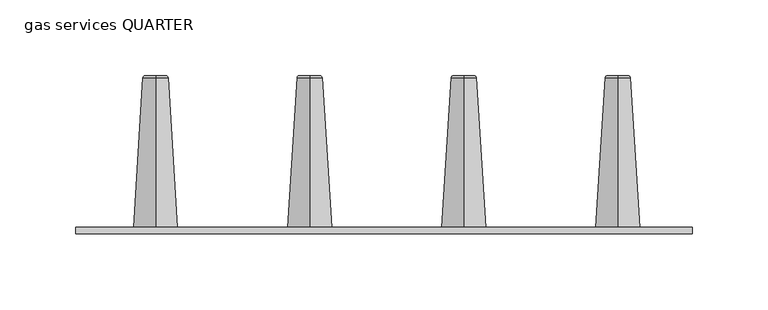
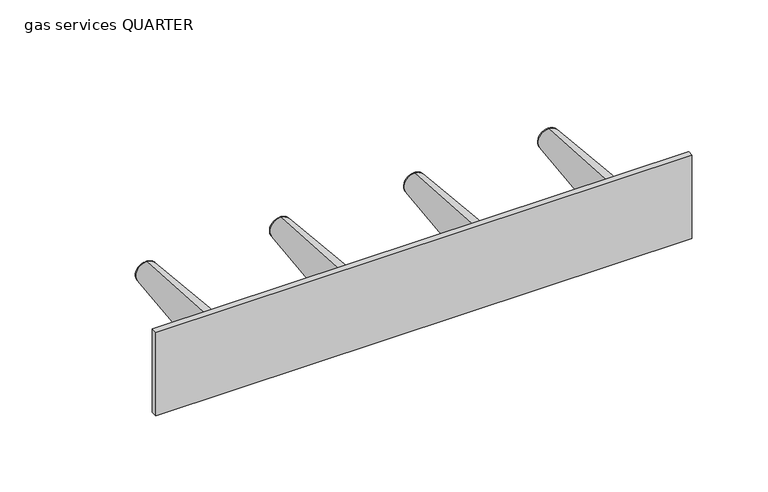
"""IFC4 building model written with IfcOpenShell, lengths in millimetres: flow terminal geometry, gas services QUARTER."""

from ifc_helpers import new_model, si_unit, point, frame, origin, place, context, project, spatial, polyline, circle_curve, ellipse_curve, trimmed, outline, extrude, source, transform, mapped, element, save
from ifc_brep_helpers import plane_surface, revolved_surface, advanced_brep


def gas_services_quarter_623f76c7(model_context):
    return source(origin(), model_context, "Body", "SolidModel", [
        advanced_brep(
        [(154.1514489, 38.4626176, 1098.693518), (154.1514489, 38.4626176, 1091.8678317), (154.1514489, 38.4626176, 1085.0421454), (154.1514489, 37.0382316, 1100.2102616), (154.1514489, 37.0382316, 1083.5254018), (154.1514489, -61.5339373, 1106.4071191), (154.1514489, -61.5339373, 1077.3285443), (154.1514489, -61.5339373, 1091.8678317)],
        [
            (0, 1),
            (1, 2),
            (2, 0, circle_curve(frame((154.1514489, 38.4626176, 1091.8678317), z_axis=(0.0, 1.0, 0.0), x_axis=(0.0, 0.0, -1.0)), 6.8256863)),
            (0, 2, circle_curve(frame((154.1514489, 38.4626176, 1091.8678317), z_axis=(0.0, 1.0, 0.0), x_axis=(0.0, 0.0, -1.0)), 6.8256863)),
            (3, 0, circle_curve(frame((154.1514489, 36.9428797, 1098.693518), z_axis=(-1.0, 0.0, 0.0), x_axis=(0.0, -1.0, 0.0)), 1.5197379)),
            (2, 4, circle_curve(frame((154.1514489, 36.9428797, 1085.0421454), z_axis=(-1.0, 0.0, 0.0), x_axis=(0.0, -1.0, 0.0)), 1.5197379)),
            (4, 3, circle_curve(frame((154.1514489, 37.0382316, 1091.8678317), z_axis=(0.0, 1.0, 0.0), x_axis=(0.0, 0.0, -1.0)), 8.3424299)),
            (3, 4, circle_curve(frame((154.1514489, 37.0382316, 1091.8678317), z_axis=(0.0, 1.0, 0.0), x_axis=(0.0, 0.0, -1.0)), 8.3424299)),
            (5, 3),
            (4, 6),
            (6, 5, circle_curve(frame((154.1514489, -61.5339373, 1091.8678317), z_axis=(0.0, 1.0, 0.0), x_axis=(0.0, 0.0, -1.0)), 14.5392874)),
            (5, 6, circle_curve(frame((154.1514489, -61.5339373, 1091.8678317), z_axis=(0.0, 1.0, 0.0), x_axis=(0.0, 0.0, -1.0)), 14.5392874)),
            (7, 5),
            (6, 7),
        ],
        [
            plane_surface(frame((154.1514489, 38.4626176, 1091.8678317), z_axis=(0.0, 1.0, 0.0), x_axis=(0.0, 0.0, -1.0))),
            revolved_surface(trimmed(ellipse_curve(frame((154.1514489, 36.9428797, 1085.0421454), z_axis=(-1.0, 0.0, 0.0), x_axis=(0.0, -1.0, 0.0)), 1.5197379, 1.5197379), [point((154.1514489, 38.4626176, 1085.0421454))], [point((154.1514489, 37.0382316, 1083.5254018))], True, "CARTESIAN"), (154.1514489, -29.920517, 1091.8678317), (0.0, -1.0, 0.0)),
            revolved_surface(polyline([(154.1514489, 37.0382316, 1083.5254018), (154.1514489, -61.5339373, 1077.3285443)]), (154.1514489, -29.920517, 1091.8678317), (0.0, -1.0, 0.0)),
            plane_surface(frame((154.1514489, -61.5339373, 1091.8678317), z_axis=(0.0, -1.0, 0.0), x_axis=(0.0, 0.0, -1.0))),
        ],
        [
            (0, [[1, 2, 3]]),
            (0, [[-2, -1, 4]]),
            (1, [[5, -3, 6, 7]]),
            (1, [[-6, -4, -5, 8]]),
            (2, [[9, -7, 10, 11]]),
            (2, [[-10, -8, -9, 12]]),
            (3, [[13, -11, 14]]),
            (3, [[-14, -12, -13]]),
        ],
    ),
        advanced_brep(
        [(52.5514489, 38.4626176, 1098.693518), (52.5514489, 38.4626176, 1091.8678317), (52.5514489, 38.4626176, 1085.0421454), (52.5514489, 37.0382316, 1100.2102616), (52.5514489, 37.0382316, 1083.5254018), (52.5514489, -61.5339373, 1106.4071191), (52.5514489, -61.5339373, 1077.3285443), (52.5514489, -61.5339373, 1091.8678317)],
        [
            (0, 1),
            (1, 2),
            (2, 0, circle_curve(frame((52.5514489, 38.4626176, 1091.8678317), z_axis=(0.0, 1.0, 0.0), x_axis=(0.0, 0.0, -1.0)), 6.8256863)),
            (0, 2, circle_curve(frame((52.5514489, 38.4626176, 1091.8678317), z_axis=(0.0, 1.0, 0.0), x_axis=(0.0, 0.0, -1.0)), 6.8256863)),
            (3, 0, circle_curve(frame((52.5514489, 36.9428797, 1098.693518), z_axis=(-1.0, 0.0, 0.0), x_axis=(0.0, -1.0, 0.0)), 1.5197379)),
            (2, 4, circle_curve(frame((52.5514489, 36.9428797, 1085.0421454), z_axis=(-1.0, 0.0, 0.0), x_axis=(0.0, -1.0, 0.0)), 1.5197379)),
            (4, 3, circle_curve(frame((52.5514489, 37.0382316, 1091.8678317), z_axis=(0.0, 1.0, 0.0), x_axis=(0.0, 0.0, -1.0)), 8.3424299)),
            (3, 4, circle_curve(frame((52.5514489, 37.0382316, 1091.8678317), z_axis=(0.0, 1.0, 0.0), x_axis=(0.0, 0.0, -1.0)), 8.3424299)),
            (5, 3),
            (4, 6),
            (6, 5, circle_curve(frame((52.5514489, -61.5339373, 1091.8678317), z_axis=(0.0, 1.0, 0.0), x_axis=(0.0, 0.0, -1.0)), 14.5392874)),
            (5, 6, circle_curve(frame((52.5514489, -61.5339373, 1091.8678317), z_axis=(0.0, 1.0, 0.0), x_axis=(0.0, 0.0, -1.0)), 14.5392874)),
            (7, 5),
            (6, 7),
        ],
        [
            plane_surface(frame((52.5514489, 38.4626176, 1091.8678317), z_axis=(0.0, 1.0, 0.0), x_axis=(0.0, 0.0, -1.0))),
            revolved_surface(trimmed(ellipse_curve(frame((52.5514489, 36.9428797, 1085.0421454), z_axis=(-1.0, 0.0, 0.0), x_axis=(0.0, -1.0, 0.0)), 1.5197379, 1.5197379), [point((52.5514489, 38.4626176, 1085.0421454))], [point((52.5514489, 37.0382316, 1083.5254018))], True, "CARTESIAN"), (52.5514489, -29.920517, 1091.8678317), (0.0, -1.0, 0.0)),
            revolved_surface(polyline([(52.5514489, 37.0382316, 1083.5254018), (52.5514489, -61.5339373, 1077.3285443)]), (52.5514489, -29.920517, 1091.8678317), (0.0, -1.0, 0.0)),
            plane_surface(frame((52.5514489, -61.5339373, 1091.8678317), z_axis=(0.0, -1.0, 0.0), x_axis=(0.0, 0.0, -1.0))),
        ],
        [
            (0, [[1, 2, 3]]),
            (0, [[-2, -1, 4]]),
            (1, [[5, -3, 6, 7]]),
            (1, [[-6, -4, -5, 8]]),
            (2, [[9, -7, 10, 11]]),
            (2, [[-10, -8, -9, 12]]),
            (3, [[13, -11, 14]]),
            (3, [[-14, -12, -13]]),
        ],
    ),
        advanced_brep(
        [(-150.6485511, 38.4626176, 1098.693518), (-150.6485511, 38.4626176, 1091.8678317), (-150.6485511, 38.4626176, 1085.0421454), (-150.6485511, 37.0382316, 1100.2102616), (-150.6485511, 37.0382316, 1083.5254018), (-150.6485511, -61.5339373, 1106.4071191), (-150.6485511, -61.5339373, 1077.3285443), (-150.6485511, -61.5339373, 1091.8678317)],
        [
            (0, 1),
            (1, 2),
            (2, 0, circle_curve(frame((-150.6485511, 38.4626176, 1091.8678317), z_axis=(0.0, 1.0, 0.0), x_axis=(0.0, 0.0, -1.0)), 6.8256863)),
            (0, 2, circle_curve(frame((-150.6485511, 38.4626176, 1091.8678317), z_axis=(0.0, 1.0, 0.0), x_axis=(0.0, 0.0, -1.0)), 6.8256863)),
            (3, 0, circle_curve(frame((-150.6485511, 36.9428797, 1098.693518), z_axis=(-1.0, 0.0, 0.0), x_axis=(0.0, -1.0, 0.0)), 1.5197379)),
            (2, 4, circle_curve(frame((-150.6485511, 36.9428797, 1085.0421454), z_axis=(-1.0, 0.0, 0.0), x_axis=(0.0, -1.0, 0.0)), 1.5197379)),
            (4, 3, circle_curve(frame((-150.6485511, 37.0382316, 1091.8678317), z_axis=(0.0, 1.0, 0.0), x_axis=(0.0, 0.0, -1.0)), 8.3424299)),
            (3, 4, circle_curve(frame((-150.6485511, 37.0382316, 1091.8678317), z_axis=(0.0, 1.0, 0.0), x_axis=(0.0, 0.0, -1.0)), 8.3424299)),
            (5, 3),
            (4, 6),
            (6, 5, circle_curve(frame((-150.6485511, -61.5339373, 1091.8678317), z_axis=(0.0, 1.0, 0.0), x_axis=(0.0, 0.0, -1.0)), 14.5392874)),
            (5, 6, circle_curve(frame((-150.6485511, -61.5339373, 1091.8678317), z_axis=(0.0, 1.0, 0.0), x_axis=(0.0, 0.0, -1.0)), 14.5392874)),
            (7, 5),
            (6, 7),
        ],
        [
            plane_surface(frame((-150.6485511, 38.4626176, 1091.8678317), z_axis=(0.0, 1.0, 0.0), x_axis=(0.0, 0.0, -1.0))),
            revolved_surface(trimmed(ellipse_curve(frame((-150.6485511, 36.9428797, 1085.0421454), z_axis=(-1.0, 0.0, 0.0), x_axis=(0.0, -1.0, 0.0)), 1.5197379, 1.5197379), [point((-150.6485511, 38.4626176, 1085.0421454))], [point((-150.6485511, 37.0382316, 1083.5254018))], True, "CARTESIAN"), (-150.6485511, -29.920517, 1091.8678317), (0.0, -1.0, 0.0)),
            revolved_surface(polyline([(-150.6485511, 37.0382316, 1083.5254018), (-150.6485511, -61.5339373, 1077.3285443)]), (-150.6485511, -29.920517, 1091.8678317), (0.0, -1.0, 0.0)),
            plane_surface(frame((-150.6485511, -61.5339373, 1091.8678317), z_axis=(0.0, -1.0, 0.0), x_axis=(0.0, 0.0, -1.0))),
        ],
        [
            (0, [[1, 2, 3]]),
            (0, [[-2, -1, 4]]),
            (1, [[5, -3, 6, 7]]),
            (1, [[-6, -4, -5, 8]]),
            (2, [[9, -7, 10, 11]]),
            (2, [[-10, -8, -9, 12]]),
            (3, [[13, -11, 14]]),
            (3, [[-14, -12, -13]]),
        ],
    ),
        advanced_brep(
        [(-49.0485511, 38.4626176, 1098.693518), (-49.0485511, 38.4626176, 1091.8678317), (-49.0485511, 38.4626176, 1085.0421454), (-49.0485511, 37.0382316, 1100.2102616), (-49.0485511, 37.0382316, 1083.5254018), (-49.0485511, -61.5339373, 1106.4071191), (-49.0485511, -61.5339373, 1077.3285443), (-49.0485511, -61.5339373, 1091.8678317)],
        [
            (0, 1),
            (1, 2),
            (2, 0, circle_curve(frame((-49.0485511, 38.4626176, 1091.8678317), z_axis=(0.0, 1.0, 0.0), x_axis=(0.0, 0.0, -1.0)), 6.8256863)),
            (0, 2, circle_curve(frame((-49.0485511, 38.4626176, 1091.8678317), z_axis=(0.0, 1.0, 0.0), x_axis=(0.0, 0.0, -1.0)), 6.8256863)),
            (3, 0, circle_curve(frame((-49.0485511, 36.9428797, 1098.693518), z_axis=(-1.0, 0.0, 0.0), x_axis=(0.0, -1.0, 0.0)), 1.5197379)),
            (2, 4, circle_curve(frame((-49.0485511, 36.9428797, 1085.0421454), z_axis=(-1.0, 0.0, 0.0), x_axis=(0.0, -1.0, 0.0)), 1.5197379)),
            (4, 3, circle_curve(frame((-49.0485511, 37.0382316, 1091.8678317), z_axis=(0.0, 1.0, 0.0), x_axis=(0.0, 0.0, -1.0)), 8.3424299)),
            (3, 4, circle_curve(frame((-49.0485511, 37.0382316, 1091.8678317), z_axis=(0.0, 1.0, 0.0), x_axis=(0.0, 0.0, -1.0)), 8.3424299)),
            (5, 3),
            (4, 6),
            (6, 5, circle_curve(frame((-49.0485511, -61.5339373, 1091.8678317), z_axis=(0.0, 1.0, 0.0), x_axis=(0.0, 0.0, -1.0)), 14.5392874)),
            (5, 6, circle_curve(frame((-49.0485511, -61.5339373, 1091.8678317), z_axis=(0.0, 1.0, 0.0), x_axis=(0.0, 0.0, -1.0)), 14.5392874)),
            (7, 5),
            (6, 7),
        ],
        [
            plane_surface(frame((-49.0485511, 38.4626176, 1091.8678317), z_axis=(0.0, 1.0, 0.0), x_axis=(0.0, 0.0, -1.0))),
            revolved_surface(trimmed(ellipse_curve(frame((-49.0485511, 36.9428797, 1085.0421454), z_axis=(-1.0, 0.0, 0.0), x_axis=(0.0, -1.0, 0.0)), 1.5197379, 1.5197379), [point((-49.0485511, 38.4626176, 1085.0421454))], [point((-49.0485511, 37.0382316, 1083.5254018))], True, "CARTESIAN"), (-49.0485511, -29.920517, 1091.8678317), (0.0, -1.0, 0.0)),
            revolved_surface(polyline([(-49.0485511, 37.0382316, 1083.5254018), (-49.0485511, -61.5339373, 1077.3285443)]), (-49.0485511, -29.920517, 1091.8678317), (0.0, -1.0, 0.0)),
            plane_surface(frame((-49.0485511, -61.5339373, 1091.8678317), z_axis=(0.0, -1.0, 0.0), x_axis=(0.0, 0.0, -1.0))),
        ],
        [
            (0, [[1, 2, 3]]),
            (0, [[-2, -1, 4]]),
            (1, [[5, -3, 6, 7]]),
            (1, [[-6, -4, -5, 8]]),
            (2, [[9, -7, 10, 11]]),
            (2, [[-10, -8, -9, 12]]),
            (3, [[13, -11, 14]]),
            (3, [[-14, -12, -13]]),
        ],
    ),
        extrude(outline(polyline([(-203.2344481, -65.6942794), (-203.2344481, -61.5339373), (203.2344481, -61.5339373), (203.2344481, -65.6942794), (-203.2344481, -65.6942794)])), frame((0.0, 0.0, 1057.275), z_axis=(0.0, 0.0, 1.0), x_axis=(1.0, 0.0, 0.0)), (0.0, 0.0, 1.0), 66.9438574),
    ])


if __name__ == "__main__":
    model = new_model("IFC4")
    model_context = context("Model", 3, world=origin())
    ifc_project = project(units=[si_unit("LENGTHUNIT", "METRE", prefix="MILLI")], contexts=[model_context])
    site = spatial("IfcSite", under=ifc_project)
    building = spatial("IfcBuilding", under=site)
    placement = place(None, origin())
    gas_services_quarter_shape = gas_services_quarter_623f76c7(model_context)
    element("IfcFlowTerminal", 1, ObjectType="gas services QUARTER", at=placement, inside=building, context=model_context, shape_type="MappedRepresentation", body=[
        mapped(gas_services_quarter_shape, transform((0.0, 0.0, 0.0), x_axis=(1.0, 0.0, 0.0), y_axis=(0.0, 1.0, 0.0), z_axis=(0.0, 0.0, 1.0))),
    ])
    save(model, "model.ifc")
